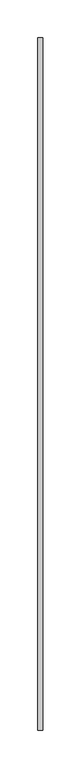
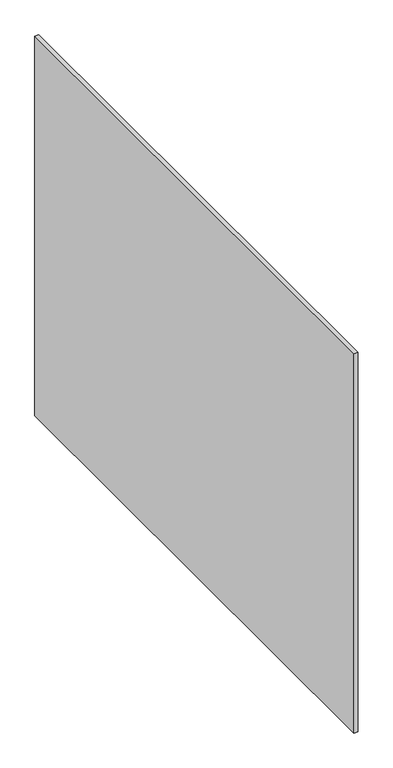
"""IFC4 building model written with IfcOpenShell, lengths in millimetres: proxy geometry."""

from ifc_helpers import new_model, si_unit, frame, origin, place, context, project, spatial, polyline, outline, extrude, source, transform, mapped, element, save


def generic_models_0aa7be0b(model_context):
    return source(origin(), model_context, "Body", "SweptSolid", [
        extrude(outline(polyline([(37948.1710168, -23977.1529893), (37948.1710168, -24891.5529893), (37941.8210167, -24891.5529893), (37941.8210167, -23977.1529893), (37948.1710168, -23977.1529893)])), frame((0.0, 0.0, 4976.1079102), z_axis=(0.0, 0.0, 1.0), x_axis=(1.0, 0.0, 0.0)), (0.0, 0.0, 1.0), 662.6920898),
    ])


if __name__ == "__main__":
    model = new_model("IFC4")
    model_context = context("Model", 3, world=origin())
    ifc_project = project(units=[si_unit("LENGTHUNIT", "METRE", prefix="MILLI")], contexts=[model_context])
    site = spatial("IfcSite", under=ifc_project)
    building = spatial("IfcBuilding", under=site)
    placement = place(None, origin())
    generic_models_shape = generic_models_0aa7be0b(model_context)
    element("IfcBuildingElementProxy", 1, Name="Generic Models", at=placement, inside=building, context=model_context, shape_type="MappedRepresentation", body=[
        mapped(generic_models_shape, transform((0.0, 0.0, 0.0), x_axis=(1.0, 0.0, 0.0), y_axis=(0.0, 1.0, 0.0), z_axis=(0.0, 0.0, 1.0))),
    ])
    save(model, "model.ifc")
